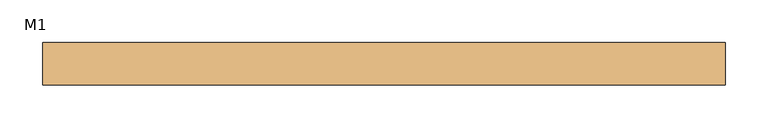
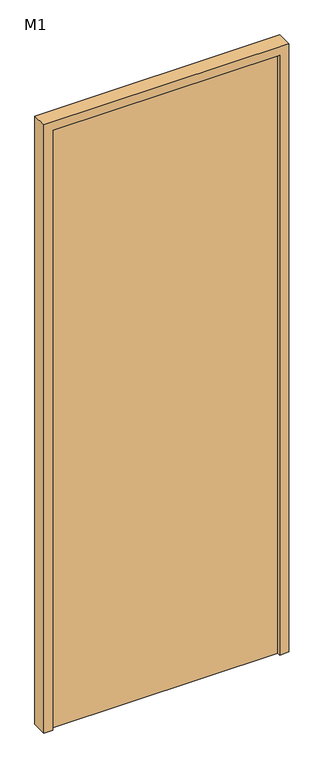
"""IFC4 building model written with IfcOpenShell, lengths in millimetres: door geometry, M1."""

from ifc_helpers import new_model, si_unit, frame, origin, origin_with_axes, place, context, project, spatial, polyline, outline, extrude, source, transform, mapped, element, save


def m1_45fb271d(model_context):
    return source(origin(), model_context, "Body", "SweptSolid", [
        extrude(outline(polyline([(2100.0, 400.0), (2100.0, -400.0), (0.0, -400.0), (0.0, -370.0), (2070.0, -370.0), (2070.0, 370.0), (0.0, 370.0), (0.0, 400.0), (2100.0, 400.0)])), frame((0.0, -25.0, 0.0), z_axis=(0.0, 1.0, 0.0), x_axis=(0.0, 0.0, 1.0)), (0.0, 0.0, 1.0), 50.0),
        extrude(outline(polyline([(370.0, -15.0), (-370.0, -15.0), (-370.0, 15.0), (370.0, 15.0), (370.0, -15.0)])), origin_with_axes(), (0.0, 0.0, 1.0), 2070.0),
    ])


if __name__ == "__main__":
    model = new_model("IFC4")
    model_context = context("Model", 3, world=origin())
    ifc_project = project(units=[si_unit("LENGTHUNIT", "METRE", prefix="MILLI")], contexts=[model_context])
    site = spatial("IfcSite", under=ifc_project)
    building = spatial("IfcBuilding", under=site)
    placement = place(None, origin())
    m1_shape = m1_45fb271d(model_context)
    element("IfcDoor", 1, ObjectType="M1", at=placement, inside=building, context=model_context, shape_type="MappedRepresentation", body=[
        mapped(m1_shape, transform((0.0, 0.0, 0.0), x_axis=(1.0, 0.0, 0.0), y_axis=(0.0, 1.0, 0.0), z_axis=(0.0, 0.0, 1.0))),
    ])
    save(model, "model.ifc")
